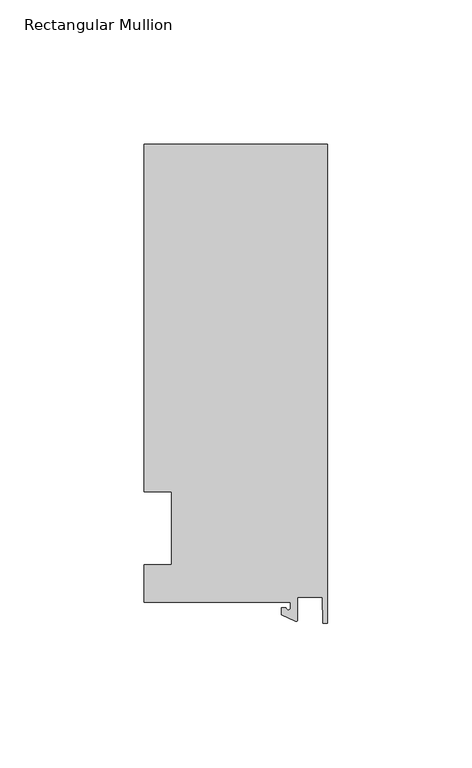
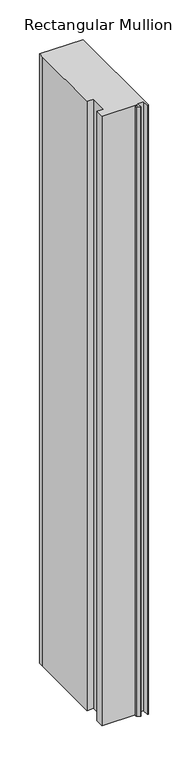
"""IFC4 building model written with IfcOpenShell, lengths in millimetres: member geometry, Rectangular Mullion."""

from ifc_helpers import new_model, si_unit, point, frame, frame_2d, origin, place, context, project, spatial, polyline, circle_curve, trimmed, segment, composite_curve, outline, extrude, source, transform, mapped, element, save


def rectangular_mullion_f6463793(model_context):
    return source(origin(), model_context, "Body", "SweptSolid", [
        extrude(outline(composite_curve([segment(polyline([(-12.8216721, -25.5984375), (-63.5, -25.5984375), (-63.5, -12.7), (-53.975, -12.7), (-53.975, 12.7), (-63.5, 12.7), (-63.5, 125.075512), (-63.5, 132.822512), (0.0, 132.822512), (0.0, -32.810012), (-1.5566453, -32.810012), (-1.7144124, -23.9227662), (-10.4340721, -23.9227662), (-10.4340721, -31.6795354)]), True, "CONTINUOUS"), segment(trimmed(circle_curve(frame_2d((-10.9420721, -31.6795354)), 0.508), [point((-10.4340721, -31.6795354))], [point((-11.1567622, -32.1399398))], False, "CARTESIAN"), True, "CONTINUOUS"), segment(polyline([(-11.1567622, -32.1399398), (-15.9966721, -29.8830527), (-15.9966721, -27.5208534), (-14.4091721, -27.5208534)]), True, "CONTINUOUS"), segment(trimmed(circle_curve(frame_2d((-13.6154221, -27.5208534)), 0.79375), [point((-14.4091721, -27.5208534))], [point((-12.8216721, -27.5208534))], True, "CARTESIAN"), True, "CONTINUOUS"), segment(polyline([(-12.8216721, -27.5208534), (-12.8216721, -25.5984375)]), True, "CONTINUOUS")], self_intersect=False)), frame((0.0, 0.0, -939.8), z_axis=(0.0, 0.0, 1.0), x_axis=(1.0, 0.0, 0.0)), (0.0, 0.0, 1.0), 939.8),
    ])


if __name__ == "__main__":
    model = new_model("IFC4")
    model_context = context("Model", 3, world=origin())
    ifc_project = project(units=[si_unit("LENGTHUNIT", "METRE", prefix="MILLI")], contexts=[model_context])
    site = spatial("IfcSite", under=ifc_project)
    building = spatial("IfcBuilding", under=site)
    placement = place(None, origin())
    rectangular_mullion_shape = rectangular_mullion_f6463793(model_context)
    element("IfcMember", 1, ObjectType="Rectangular Mullion", at=placement, inside=building, context=model_context, shape_type="MappedRepresentation", body=[
        mapped(rectangular_mullion_shape, transform((0.0, 0.0, 0.0), x_axis=(1.0, 0.0, 0.0), y_axis=(0.0, 1.0, 0.0), z_axis=(0.0, 0.0, 1.0))),
    ])
    save(model, "model.ifc")
